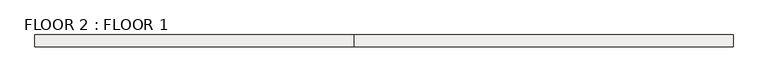
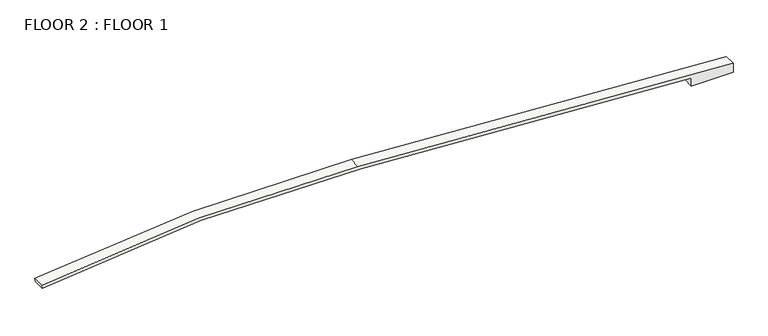
"""IFC4 building model written with IfcOpenShell, lengths in millimetres: slab geometry, FLOOR 2 : FLOOR 1."""

from ifc_helpers import new_model, si_unit, frame, origin, place, context, project, spatial, polyline, circle_curve, source, transform, mapped, element, save
from ifc_brep_helpers import plane_surface, cylinder_surface, revolved_surface, advanced_brep


def floor_2_floor_1_7298cd3f(model_context):
    return source(origin(), model_context, "Body", "AdvancedBrep", [
        advanced_brep(
        [(-17512.9571547, -19715.959635, 11874.1545951), (12720.0784244, -19715.959635, 10074.2804354), (12720.0784244, -19715.959635, 9296.4), (16533.8559655, -19715.959635, 9296.4), (16533.8559655, -19715.959635, 9753.6), (16533.8559655, -19715.959635, 10058.4), (16533.8559655, -19715.959635, 10152.3749631), (-17727.2676136, -19715.959635, 12192.0547317), (-46611.418491, -19715.959635, 10806.0110824), (-46565.1634745, -19715.959635, 10504.7409784), (-17512.9571547, -18649.159635, 11874.1545951), (-46565.1634745, -18649.159635, 10504.7409784), (-46611.418491, -18649.159635, 10806.0110824), (-17727.2676136, -18649.159635, 12192.0547317), (16533.8559655, -18649.159635, 10152.3749631), (16533.8559655, -18649.159635, 9296.4), (12720.0784244, -18649.159635, 9296.4), (12720.0784244, -18649.159635, 10074.2804354)],
        [
            (0, 1),
            (1, 2),
            (2, 3),
            (3, 4),
            (4, 5),
            (5, 6),
            (6, 7),
            (7, 8, circle_curve(frame((-25638.127005, -19715.959635, -124606.8031675), z_axis=(0.0, -1.0, 0.0), x_axis=(1.0, 0.0, 0.0)), 137027.4031675)),
            (8, 9),
            (9, 0, circle_curve(frame((-25638.127005, -19715.959635, -124606.8031675), z_axis=(0.0, 1.0, 0.0), x_axis=(1.0, 0.0, 0.0)), 136722.6031675)),
            (10, 11, circle_curve(frame((-25638.127005, -18649.159635, -124606.8031675), z_axis=(0.0, -1.0, 0.0), x_axis=(1.0, 0.0, 0.0)), 136722.6031675)),
            (11, 12),
            (12, 13, circle_curve(frame((-25638.127005, -18649.159635, -124606.8031675), z_axis=(0.0, 1.0, 0.0), x_axis=(1.0, 0.0, 0.0)), 137027.4031675)),
            (13, 14),
            (14, 15),
            (15, 16),
            (16, 17),
            (17, 10),
            (0, 10),
            (17, 1),
            (16, 2),
            (6, 14),
            (13, 7),
            (12, 8),
            (11, 9),
            (15, 3),
        ],
        [
            plane_surface(frame((16860.2141437, -19715.959635, 9827.8042495), z_axis=(0.0, -1.0000000000000002, 0.0), x_axis=(0.9982325862784716, 0.0, -0.059428138888862524))),
            plane_surface(frame((16860.2141437, -18649.159635, 9827.8042495), z_axis=(0.0, 1.0000000000000002, 0.0), x_axis=(-0.9982325862784716, 0.0, 0.059428138888862524))),
            plane_surface(frame((-17512.9571547, -19715.959635, 11874.1545951), z_axis=(-0.059428138888862524, 0.0, -0.9982325862784716), x_axis=(0.0, 1.0, 0.0))),
            plane_surface(frame((12720.0784244, -19715.959635, 10074.2804354), z_axis=(-1.0, 0.0, 0.0), x_axis=(0.0, 1.0, 0.0))),
            plane_surface(frame((16533.8559655, -19715.959635, 10152.3749631), z_axis=(0.0594281388888619, 0.0, 0.9982325862784716), x_axis=(0.0, 1.0, 0.0))),
            cylinder_surface(frame((-25638.127005, -18649.159635, -124606.8031675), z_axis=(0.0, -1.0, 0.0), x_axis=(1.0, 0.0, 0.0)), 137027.4031675),
            plane_surface(frame((-46611.418491, -19715.959635, 10806.0110824), z_axis=(-0.9884181139618463, 0.0, -0.15175517122031368), x_axis=(0.0, 1.0, 0.0))),
            revolved_surface(polyline([(111084.4761625, -18649.159635, -124606.8031675), (111084.4761625, -19715.959635, -124606.8031675)]), (-25638.127005, -18649.159635, -124606.8031675), (0.0, 1.0, 0.0)),
            plane_surface(frame((12720.0784244, -19715.959635, 9296.4), z_axis=(0.0, 0.0, -1.0), x_axis=(0.0, 1.0, 0.0))),
            plane_surface(frame((16533.8559655, -19715.959635, 9296.4), z_axis=(1.0, 0.0, 0.0), x_axis=(0.0, 1.0, 0.0))),
        ],
        [
            (0, [[1, 2, 3, 4, 5, 6, 7, 8, 9, 10]]),
            (1, [[11, 12, 13, 14, 15, 16, 17, 18]]),
            (2, [[-1, 19, -18, 20]]),
            (3, [[-2, -20, -17, 21]]),
            (4, [[-7, 22, -14, 23]]),
            (5, [[-8, -23, -13, 24]]),
            (6, [[-9, -24, -12, 25]]),
            (7, [[-10, -25, -11, -19]]),
            (8, [[-3, -21, -16, 26]]),
            (9, [[-6, -5, -4, -26, -15, -22]]),
        ],
    ),
    ])


if __name__ == "__main__":
    model = new_model("IFC4")
    model_context = context("Model", 3, world=origin())
    ifc_project = project(units=[si_unit("LENGTHUNIT", "METRE", prefix="MILLI")], contexts=[model_context])
    site = spatial("IfcSite", under=ifc_project)
    building = spatial("IfcBuilding", under=site)
    placement = place(None, origin())
    floor_2_floor_1_shape = floor_2_floor_1_7298cd3f(model_context)
    element("IfcSlab", 1, ObjectType="FLOOR 2 : FLOOR 1", at=placement, inside=building, context=model_context, shape_type="MappedRepresentation", body=[
        mapped(floor_2_floor_1_shape, transform((0.0, 0.0, 0.0), x_axis=(1.0, 0.0, 0.0), y_axis=(0.0, 1.0, 0.0), z_axis=(0.0, 0.0, 1.0))),
    ])
    save(model, "model.ifc")
